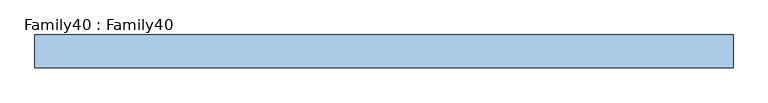
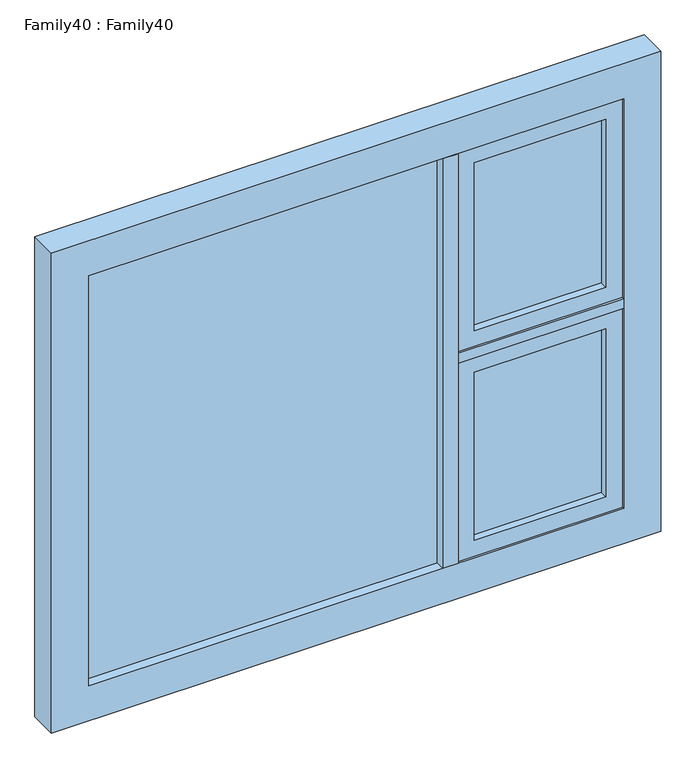
"""IFC4 building model written with IfcOpenShell, lengths in millimetres: window geometry, Family40 : Family40."""

from ifc_helpers import new_model, si_unit, frame, origin, place, context, project, spatial, polyline, outline, extrude, source, transform, mapped, element, save


def family40_family40_40836814(model_context):
    return source(origin(), model_context, "Body", "SweptSolid", [
        extrude(outline(polyline([(736.0, 14.0), (736.0, 10.0), (350.0, 10.0), (350.0, 14.0), (736.0, 14.0)])), frame((0.0, 0.0, 959.0), z_axis=(0.0, 0.0, 1.0), x_axis=(1.0, 0.0, 0.0)), (0.0, 0.0, 1.0), 521.0),
        extrude(outline(polyline([(350.0, -14.0), (350.0, -10.0), (736.0, -10.0), (736.0, -14.0), (350.0, -14.0)])), frame((0.0, 0.0, 959.0), z_axis=(0.0, 0.0, 1.0), x_axis=(1.0, 0.0, 0.0)), (0.0, 0.0, 1.0), 521.0),
        extrude(outline(polyline([(1530.0, 786.0), (1530.0, 302.866818), (909.0, 302.866818), (909.0, 786.0), (1530.0, 786.0)]), holes=[polyline([(959.0, 350.0), (1480.0, 350.0), (1480.0, 736.0), (959.0, 736.0), (959.0, 350.0)])]), frame((0.0, -35.5110303, 0.0), z_axis=(0.0, 1.0, 0.0), x_axis=(0.0, 0.0, 1.0)), (0.0, 0.0, 1.0), 70.4146297),
        extrude(outline(polyline([(253.8050141, 14.0), (253.8050141, 10.0), (-786.0, 10.0), (-786.0, 14.0), (253.8050141, 14.0)])), frame((0.0, 0.0, 909.0), z_axis=(0.0, 0.0, 1.0), x_axis=(1.0, 0.0, 0.0)), (0.0, 0.0, 1.0), 1272.0),
        extrude(outline(polyline([(-786.0, -14.0), (-786.0, -10.0), (253.8050141, -10.0), (253.8050141, -14.0), (-786.0, -14.0)])), frame((0.0, 0.0, 909.0), z_axis=(0.0, 0.0, 1.0), x_axis=(1.0, 0.0, 0.0)), (0.0, 0.0, 1.0), 1272.0),
        extrude(outline(polyline([(300.0, -42.0), (253.8050141, -42.0), (253.8050141, 42.0), (300.0, 42.0), (300.0, -42.0)])), frame((0.0, 0.0, 909.0), z_axis=(0.0, 0.0, 1.0), x_axis=(1.0, 0.0, 0.0)), (0.0, 0.0, 1.0), 1272.0),
        extrude(outline(polyline([(2290.0, 895.0), (2290.0, -895.0), (800.0, -895.0), (800.0, 895.0), (2290.0, 895.0)]), holes=[polyline([(909.0, 786.0), (909.0, -786.0), (2181.0, -786.0), (2181.0, 786.0), (909.0, 786.0)])]), frame((0.0, -42.0, 0.0), z_axis=(0.0, 1.0, 0.0), x_axis=(0.0, 0.0, 1.0)), (0.0, 0.0, 1.0), 84.0),
        extrude(outline(polyline([(786.0, -42.0), (300.0, -42.0), (300.0, 42.0), (786.0, 42.0), (786.0, -42.0)])), frame((0.0, 0.0, 1530.0), z_axis=(0.0, 0.0, 1.0), x_axis=(1.0, 0.0, 0.0)), (0.0, 0.0, 1.0), 30.3346263),
        extrude(outline(polyline([(736.0, 14.0), (736.0, 10.0), (350.0, 10.0), (350.0, 14.0), (736.0, 14.0)])), frame((0.0, 0.0, 1610.0), z_axis=(0.0, 0.0, 1.0), x_axis=(1.0, 0.0, 0.0)), (0.0, 0.0, 1.0), 521.0),
        extrude(outline(polyline([(350.0, -14.0), (350.0, -10.0), (736.0, -10.0), (736.0, -14.0), (350.0, -14.0)])), frame((0.0, 0.0, 1610.0), z_axis=(0.0, 0.0, 1.0), x_axis=(1.0, 0.0, 0.0)), (0.0, 0.0, 1.0), 521.0),
        extrude(outline(polyline([(2181.0, 786.0), (2181.0, 302.866818), (1560.0, 302.866818), (1560.0, 786.0), (2181.0, 786.0)]), holes=[polyline([(1610.0, 350.0), (2131.0, 350.0), (2131.0, 736.0), (1610.0, 736.0), (1610.0, 350.0)])]), frame((0.0, -35.5110303, 0.0), z_axis=(0.0, 1.0, 0.0), x_axis=(0.0, 0.0, 1.0)), (0.0, 0.0, 1.0), 70.4146297),
    ])


if __name__ == "__main__":
    model = new_model("IFC4")
    model_context = context("Model", 3, world=origin())
    ifc_project = project(units=[si_unit("LENGTHUNIT", "METRE", prefix="MILLI")], contexts=[model_context])
    site = spatial("IfcSite", under=ifc_project)
    building = spatial("IfcBuilding", under=site)
    placement = place(None, origin())
    family40_family40_shape = family40_family40_40836814(model_context)
    element("IfcWindow", 1, ObjectType="Family40 : Family40", at=placement, inside=building, context=model_context, shape_type="MappedRepresentation", body=[
        mapped(family40_family40_shape, transform((0.0, 0.0, 0.0), x_axis=(1.0, 0.0, 0.0), y_axis=(0.0, 1.0, 0.0), z_axis=(0.0, 0.0, 1.0))),
    ])
    save(model, "model.ifc")
